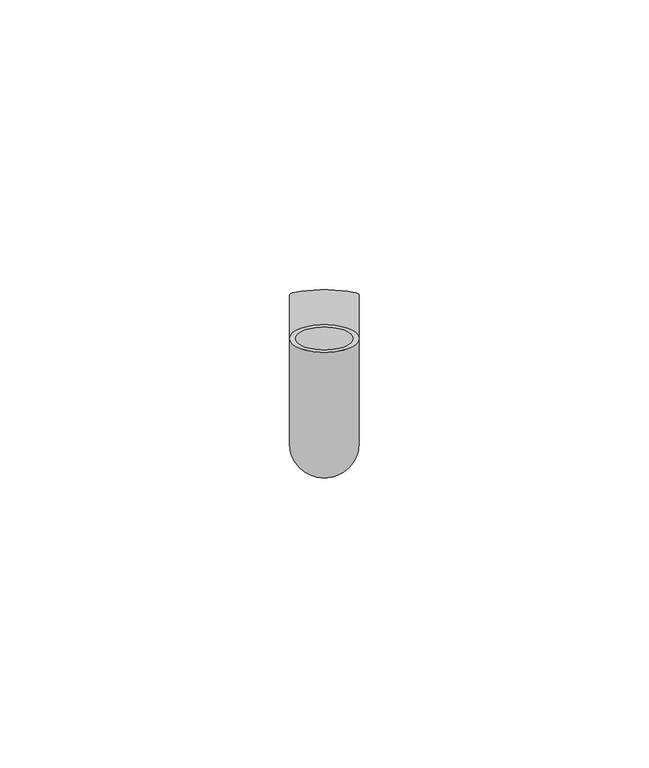
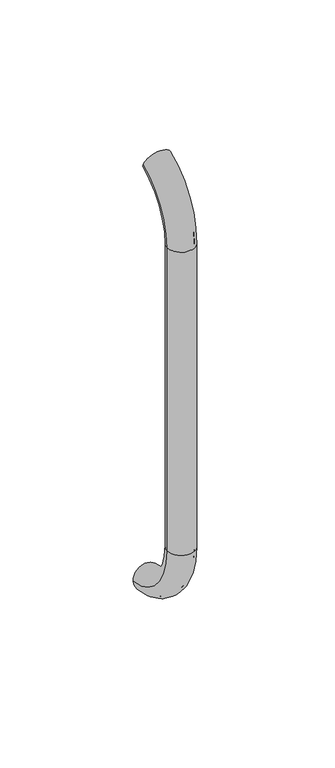
"""IFC4 building model written with IfcOpenShell, lengths in millimetres: beam geometry."""

from ifc_helpers import new_model, si_unit, point, frame, origin, place, context, project, spatial, polyline, circle_curve, ellipse_curve, trimmed, source, transform, mapped, element, save
from ifc_brep_helpers import plane_surface, cylinder_surface, revolved_surface, advanced_brep


def beam_df164241(model_context):
    return source(origin(), model_context, "Body", "AdvancedBrep", [
        advanced_brep(
        [(5111.4386176, 2444.0395554, 1993.7787656), (5123.4386176, 2444.0395554, 1993.7787656), (5112.4386176, 2444.0395554, 1993.7787656), (5122.4386176, 2444.0395554, 1993.7787656), (5122.4386176, 2425.9629385, 1966.25), (5112.4386176, 2425.9629385, 1966.25), (5123.4386176, 2425.9629385, 1966.25), (5111.4386176, 2425.9629385, 1966.25), (5112.4386176, 2425.9629385, 1826.25), (5122.4386176, 2425.9629385, 1826.25), (5111.4386176, 2425.9629385, 1826.25), (5123.4386176, 2425.9629385, 1826.25), (5111.4386176, 2451.5825147, 1796.5715249), (5123.4386176, 2451.5825147, 1796.5715249), (5112.4386176, 2451.5825147, 1796.5715249), (5122.4386176, 2451.5825147, 1796.5715249)],
        [
            (0, 1, circle_curve(frame((5117.4386176, 2444.0395554, 1993.7787656), z_axis=(0.0, 0.9176255197351176, 0.3974461039321624), x_axis=(1.0, 0.0, 0.0)), 6.0)),
            (1, 0, circle_curve(frame((5117.4386176, 2444.0395554, 1993.7787656), z_axis=(0.0, 0.9176255197351176, 0.3974461039321624), x_axis=(1.0, 0.0, 0.0)), 6.0)),
            (2, 3, circle_curve(frame((5117.4386176, 2444.0395554, 1993.7787656), z_axis=(0.0, -0.9176255197351176, -0.3974461039321624), x_axis=(1.0, 0.0, 0.0)), 5.0)),
            (3, 2, circle_curve(frame((5117.4386176, 2444.0395554, 1993.7787656), z_axis=(0.0, -0.9176255197351176, -0.3974461039321624), x_axis=(1.0, 0.0, 0.0)), 5.0)),
            (4, 3, circle_curve(frame((5122.4386176, 2455.9629385, 1966.25), z_axis=(-1.0, 0.0, 0.0), x_axis=(0.0, -0.3974461039321624, 0.9176255197351176)), 30.0)),
            (2, 5, circle_curve(frame((5112.4386176, 2455.9629385, 1966.25), z_axis=(1.0, 0.0, 0.0), x_axis=(0.0, -0.3974461039321624, 0.9176255197351176)), 30.0)),
            (5, 4, circle_curve(frame((5117.4386176, 2425.9629385, 1966.25), z_axis=(0.0, 0.0, -1.0), x_axis=(1.0, 0.0, 0.0)), 5.0)),
            (4, 5, circle_curve(frame((5117.4386176, 2425.9629385, 1966.25), z_axis=(0.0, 0.0, -1.0), x_axis=(1.0, 0.0, 0.0)), 5.0)),
            (6, 1, circle_curve(frame((5123.4386176, 2455.9629385, 1966.25), z_axis=(-1.0, 0.0, 0.0), x_axis=(0.0, -0.3974461039321624, 0.9176255197351176)), 30.0)),
            (0, 7, circle_curve(frame((5111.4386176, 2455.9629385, 1966.25), z_axis=(1.0, 0.0, 0.0), x_axis=(0.0, -0.3974461039321624, 0.9176255197351176)), 30.0)),
            (7, 6, circle_curve(frame((5117.4386176, 2425.9629385, 1966.25), z_axis=(0.0, 0.0, 1.0), x_axis=(1.0, 0.0, 0.0)), 6.0)),
            (6, 7, circle_curve(frame((5117.4386176, 2425.9629385, 1966.25), z_axis=(0.0, 0.0, 1.0), x_axis=(1.0, 0.0, 0.0)), 6.0)),
            (5, 8),
            (8, 9, circle_curve(frame((5117.4386176, 2425.9629385, 1826.25), z_axis=(0.0, 0.0, -1.0), x_axis=(1.0, 0.0, 0.0)), 5.0)),
            (9, 4),
            (9, 8, circle_curve(frame((5117.4386176, 2425.9629385, 1826.25), z_axis=(0.0, 0.0, -1.0), x_axis=(1.0, 0.0, 0.0)), 5.0)),
            (7, 10),
            (10, 11, circle_curve(frame((5117.4386176, 2425.9629385, 1826.25), z_axis=(0.0, 0.0, 1.0), x_axis=(1.0, 0.0, 0.0)), 6.0)),
            (11, 6),
            (11, 10, circle_curve(frame((5117.4386176, 2425.9629385, 1826.25), z_axis=(0.0, 0.0, 1.0), x_axis=(1.0, 0.0, 0.0)), 6.0)),
            (12, 13, circle_curve(frame((5117.4386176, 2451.5825147, 1796.5715249), z_axis=(0.0, 0.9892825047438852, -0.14601412879466394), x_axis=(1.0, 0.0, 0.0)), 6.0)),
            (13, 12, circle_curve(frame((5117.4386176, 2451.5825147, 1796.5715249), z_axis=(0.0, 0.9892825047438852, -0.14601412879466394), x_axis=(1.0, 0.0, 0.0)), 6.0)),
            (14, 15, circle_curve(frame((5117.4386176, 2451.5825147, 1796.5715249), z_axis=(0.0, -0.9892825047438852, 0.14601412879466394), x_axis=(1.0, 0.0, 0.0)), 5.0)),
            (15, 14, circle_curve(frame((5117.4386176, 2451.5825147, 1796.5715249), z_axis=(0.0, -0.9892825047438852, 0.14601412879466394), x_axis=(1.0, 0.0, 0.0)), 5.0)),
            (15, 9, circle_curve(frame((5122.4386176, 2455.9629385, 1826.25), z_axis=(-1.0, 0.0, 0.0), x_axis=(0.0, -1.0, 0.0)), 30.0)),
            (8, 14, circle_curve(frame((5112.4386176, 2455.9629385, 1826.25), z_axis=(1.0, 0.0, 0.0), x_axis=(0.0, -1.0, 0.0)), 30.0)),
            (13, 11, circle_curve(frame((5123.4386176, 2455.9629385, 1826.25), z_axis=(-1.0, 0.0, 0.0), x_axis=(0.0, -1.0, 0.0)), 30.0)),
            (10, 12, circle_curve(frame((5111.4386176, 2455.9629385, 1826.25), z_axis=(1.0, 0.0, 0.0), x_axis=(0.0, -1.0, 0.0)), 30.0)),
        ],
        [
            plane_surface(frame((5117.4386176, 2444.0395554, 1993.7787656), z_axis=(0.0, 0.9176255197351176, 0.3974461039321624), x_axis=(1.0, 0.0, 0.0))),
            revolved_surface(trimmed(ellipse_curve(frame((5117.4386176, 2444.0395554, 1993.7787656), z_axis=(0.0, -0.9176255197351176, -0.3974461039321624), x_axis=(1.0, 0.0, 0.0)), 5.0, 5.0), [point((5112.4386176, 2444.0395554, 1993.7787656))], [point((5122.4386176, 2444.0395554, 1993.7787656))], True, "CARTESIAN"), (5117.4386176, 2455.9629385, 1966.25), (1.0, 0.0, 0.0)),
            revolved_surface(trimmed(ellipse_curve(frame((5117.4386176, 2444.0395554, 1993.7787656), z_axis=(0.0, -0.9176255197351176, -0.3974461039321624), x_axis=(1.0, 0.0, 0.0)), 5.0, 5.0), [point((5122.4386176, 2444.0395554, 1993.7787656))], [point((5112.4386176, 2444.0395554, 1993.7787656))], True, "CARTESIAN"), (5117.4386176, 2455.9629385, 1966.25), (1.0, 0.0, 0.0)),
            revolved_surface(trimmed(ellipse_curve(frame((5117.4386176, 2444.0395554, 1993.7787656), z_axis=(0.0, 0.9176255197351176, 0.3974461039321624), x_axis=(1.0, 0.0, 0.0)), 6.0, 6.0), [point((5111.4386176, 2444.0395554, 1993.7787656))], [point((5123.4386176, 2444.0395554, 1993.7787656))], True, "CARTESIAN"), (5117.4386176, 2455.9629385, 1966.25), (1.0, 0.0, 0.0)),
            revolved_surface(trimmed(ellipse_curve(frame((5117.4386176, 2444.0395554, 1993.7787656), z_axis=(0.0, 0.9176255197351176, 0.3974461039321624), x_axis=(1.0, 0.0, 0.0)), 6.0, 6.0), [point((5123.4386176, 2444.0395554, 1993.7787656))], [point((5111.4386176, 2444.0395554, 1993.7787656))], True, "CARTESIAN"), (5117.4386176, 2455.9629385, 1966.25), (1.0, 0.0, 0.0)),
            revolved_surface(polyline([(5122.4386176, 2425.9629385, 1826.25), (5122.4386176, 2425.9629385, 1966.25)]), (5117.4386176, 2425.9629385, 1966.25), (0.0, 0.0, -1.0)),
            cylinder_surface(frame((5117.4386176, 2425.9629385, 1966.25), z_axis=(0.0, 0.0, 1.0), x_axis=(1.0, 0.0, 0.0)), 6.0),
            plane_surface(frame((5117.4386176, 2451.5825147, 1796.5715249), z_axis=(0.0, 0.9892825047438852, -0.14601412879466397), x_axis=(1.0, 0.0, 0.0))),
            revolved_surface(trimmed(ellipse_curve(frame((5117.4386176, 2425.9629385, 1826.25), z_axis=(0.0, 0.0, -1.0), x_axis=(1.0, 0.0, 0.0)), 5.0, 5.0), [point((5112.4386176, 2425.9629385, 1826.25))], [point((5122.4386176, 2425.9629385, 1826.25))], True, "CARTESIAN"), (5117.4386176, 2455.9629385, 1826.25), (1.0, 0.0, 0.0)),
            revolved_surface(trimmed(ellipse_curve(frame((5117.4386176, 2425.9629385, 1826.25), z_axis=(0.0, 0.0, -1.0), x_axis=(1.0, 0.0, 0.0)), 5.0, 5.0), [point((5122.4386176, 2425.9629385, 1826.25))], [point((5112.4386176, 2425.9629385, 1826.25))], True, "CARTESIAN"), (5117.4386176, 2455.9629385, 1826.25), (1.0, 0.0, 0.0)),
            revolved_surface(trimmed(ellipse_curve(frame((5117.4386176, 2425.9629385, 1826.25), z_axis=(0.0, 0.0, 1.0), x_axis=(1.0, 0.0, 0.0)), 6.0, 6.0), [point((5111.4386176, 2425.9629385, 1826.25))], [point((5123.4386176, 2425.9629385, 1826.25))], True, "CARTESIAN"), (5117.4386176, 2455.9629385, 1826.25), (1.0, 0.0, 0.0)),
            revolved_surface(trimmed(ellipse_curve(frame((5117.4386176, 2425.9629385, 1826.25), z_axis=(0.0, 0.0, 1.0), x_axis=(1.0, 0.0, 0.0)), 6.0, 6.0), [point((5123.4386176, 2425.9629385, 1826.25))], [point((5111.4386176, 2425.9629385, 1826.25))], True, "CARTESIAN"), (5117.4386176, 2455.9629385, 1826.25), (1.0, 0.0, 0.0)),
        ],
        [
            (0, [[1, 2], [3, 4]]),
            (1, [[5, -3, 6, 7]]),
            (2, [[-6, -4, -5, 8]]),
            (3, [[9, -1, 10, 11]]),
            (4, [[-10, -2, -9, 12]]),
            (5, [[-7, 13, 14, 15]]),
            (5, [[-8, -15, 16, -13]]),
            (6, [[-11, 17, 18, 19]]),
            (6, [[-12, -19, 20, -17]]),
            (7, [[21, 22], [23, 24]]),
            (8, [[25, -14, 26, -24]]),
            (9, [[-26, -16, -25, -23]]),
            (10, [[27, -18, 28, -22]]),
            (11, [[-28, -20, -27, -21]]),
        ],
    ),
    ])


if __name__ == "__main__":
    model = new_model("IFC4")
    model_context = context("Model", 3, world=origin())
    ifc_project = project(units=[si_unit("LENGTHUNIT", "METRE", prefix="MILLI")], contexts=[model_context])
    site = spatial("IfcSite", under=ifc_project)
    building = spatial("IfcBuilding", under=site)
    placement = place(None, origin())
    beam_shape = beam_df164241(model_context)
    element("IfcBeam", 1, at=placement, inside=building, context=model_context, shape_type="MappedRepresentation", body=[
        mapped(beam_shape, transform((0.0, 0.0, 0.0), x_axis=(1.0, 0.0, 0.0), y_axis=(0.0, 1.0, 0.0), z_axis=(0.0, 0.0, 1.0))),
    ])
    save(model, "model.ifc")
